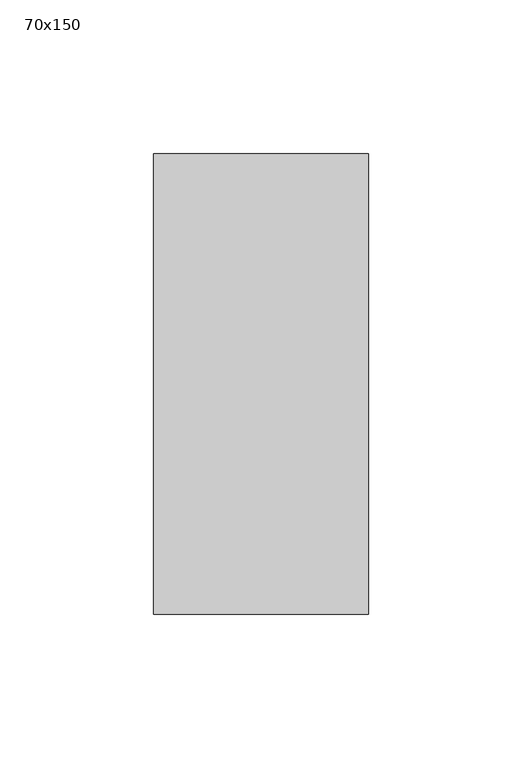
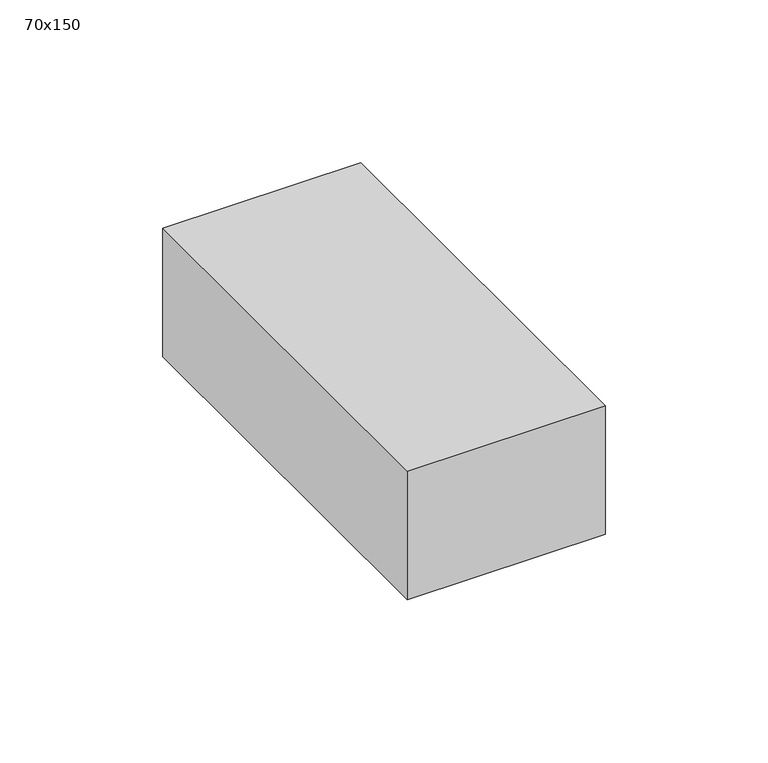
"""IFC4 building model written with IfcOpenShell, lengths in millimetres: member geometry, 70x150."""

import ifcopenshell
import ifcopenshell.guid

model = None  # the IFC model being written
_history = None  # IfcOwnerHistory: only IFC2X3 demands one
_inside = {}  # id of a spatial element -> (the spatial element, [elements in it])
_under = {}  # id of a project, library or spatial element -> (it, [spatial elements below it])
_declared = {}  # id of a project -> (the project, [libraries it declares])
_typed = {}  # id of a type object -> (the type object, [elements of that type])
_made_of = {}  # id of a material, layer set ... -> (it, [elements and type objects made of it])


def new_model(schema):
    """Start an empty IFC model of exactly this schema.

    Asked for "IFC4X3", IfcOpenShell would pick the latest addendum, in which some entities
    have other attributes; the version numbers below select the first issue.
    IFC2X3 requires an IfcOwnerHistory on every rooted entity: one is made here for all.
    """
    global model, _history
    if schema == "IFC4X3":
        model = ifcopenshell.file(schema_version=(4, 3, 0, 0))
    else:
        model = ifcopenshell.file(schema=schema)
    _inside.clear()
    _under.clear()
    _declared.clear()
    _typed.clear()
    _made_of.clear()
    _history = None
    if model.schema == "IFC2X3":
        org = make("IfcOrganization", Name="unknown")
        user = make(
            "IfcPersonAndOrganization",
            ThePerson=make("IfcPerson", FamilyName="unknown"),
            TheOrganization=org,
        )
        app = make(
            "IfcApplication",
            ApplicationDeveloper=org,
            Version="unknown",
            ApplicationFullName="unknown",
            ApplicationIdentifier="unknown",
        )
        _history = make(
            "IfcOwnerHistory",
            OwningUser=user,
            OwningApplication=app,
            ChangeAction="ADDED",
            CreationDate=0,
        )
    return model


def make(cls, **values):
    """One entity of the class cls with the attributes given. An attribute that is None is left unset."""
    return model.create_entity(
        cls, **{name: value for name, value in values.items() if value is not None}
    )


def rooted(cls, **values):
    """An entity with a GlobalId (a new one), such as an element, a storey or a relation."""
    return make(cls, GlobalId=ifcopenshell.guid.new(), OwnerHistory=_history, **values)


def si_unit(unit_type, name, prefix=None):
    """IfcSIUnit, for example si_unit("LENGTHUNIT", "METRE", prefix="MILLI")."""
    return make("IfcSIUnit", UnitType=unit_type, Prefix=prefix, Name=name)


def assignment(units):
    """IfcUnitAssignment: the units of a project."""
    return None if units is None else make("IfcUnitAssignment", Units=units)


def point(xyz):
    """IfcCartesianPoint."""
    return None if xyz is None else make("IfcCartesianPoint", Coordinates=xyz)


def direction(xyz):
    """IfcDirection."""
    return None if xyz is None else make("IfcDirection", DirectionRatios=xyz)


def frame(location, z_axis=None, x_axis=None):
    """IfcAxis2Placement3D, a coordinate frame: its origin and axes. An axis left out is left unset."""
    return make(
        "IfcAxis2Placement3D",
        Location=point(location),
        Axis=direction(z_axis),
        RefDirection=direction(x_axis),
    )


def origin():
    """The frame at (0, 0, 0) with its axes left unset."""
    return frame((0.0, 0.0, 0.0))


def place(relative_to, where):
    """IfcLocalPlacement: puts the frame where relative to a parent placement (None: the world)."""
    return make(
        "IfcLocalPlacement", PlacementRelTo=relative_to, RelativePlacement=where
    )


def context(
    kind, dimensions, precision=None, world=None, true_north=None, identifier=None
):
    """IfcGeometricRepresentationContext, for example the 3D "Model" context."""
    return make(
        "IfcGeometricRepresentationContext",
        ContextIdentifier=identifier,
        ContextType=kind,
        CoordinateSpaceDimension=dimensions,
        Precision=precision,
        WorldCoordinateSystem=world,
        TrueNorth=true_north,
    )


def project(units=None, contexts=None):
    """IfcProject with its units and contexts."""
    return rooted(
        "IfcProject",
        Name="project",
        RepresentationContexts=contexts,
        UnitsInContext=assignment(units),
    )


def spatial(cls, under=None, at=None, **own):
    """A site, building, storey or space (cls), placed at a placement, below another one or the project."""
    s = rooted(cls, ObjectPlacement=at, **own)
    if under is not None:
        _under.setdefault(under.id(), (under, []))[1].append(s)
    return s


def polyline(points):
    """IfcPolyline through the points."""
    return make("IfcPolyline", Points=[point(p) for p in points])


def outline(outer, holes=None, kind="AREA"):
    """IfcArbitraryClosedProfileDef: a profile drawn as a closed curve; with holes, ...WithVoids."""
    if holes is None:
        return make("IfcArbitraryClosedProfileDef", ProfileType=kind, OuterCurve=outer)
    return make(
        "IfcArbitraryProfileDefWithVoids",
        ProfileType=kind,
        OuterCurve=outer,
        InnerCurves=holes,
    )


def extrude(swept, where, along, depth):
    """IfcExtrudedAreaSolid: the profile swept, set in the frame where, extruded along a direction by depth."""
    return make(
        "IfcExtrudedAreaSolid",
        SweptArea=swept,
        Position=where,
        ExtrudedDirection=direction(along),
        Depth=depth,
    )


def shape(context_of_items, identifier, shape_type, items):
    """IfcShapeRepresentation: the items that make up one representation, for example the "Body"."""
    return make(
        "IfcShapeRepresentation",
        ContextOfItems=context_of_items,
        RepresentationIdentifier=identifier,
        RepresentationType=shape_type,
        Items=items,
    )


def source(mapping_origin, context_of_items, identifier, shape_type, items):
    """IfcRepresentationMap: a shape defined once, which mapped items show again and again."""
    return make(
        "IfcRepresentationMap",
        MappingOrigin=mapping_origin,
        MappedRepresentation=shape(context_of_items, identifier, shape_type, items),
    )


def transform(
    local_origin,
    x_axis=None,
    y_axis=None,
    z_axis=None,
    scale=None,
    scale2=None,
    scale3=None,
    uniform=True,
):
    """IfcCartesianTransformationOperator3D, or its non-uniform kind. x_axis, y_axis, z_axis: its Axis1, 2, 3."""
    if uniform:
        return make(
            "IfcCartesianTransformationOperator3D",
            Axis1=direction(x_axis),
            Axis2=direction(y_axis),
            LocalOrigin=point(local_origin),
            Scale=scale,
            Axis3=direction(z_axis),
        )
    return make(
        "IfcCartesianTransformationOperator3DnonUniform",
        Axis1=direction(x_axis),
        Axis2=direction(y_axis),
        LocalOrigin=point(local_origin),
        Scale=scale,
        Axis3=direction(z_axis),
        Scale2=scale2,
        Scale3=scale3,
    )


def mapped(mapping_source, mapping_target):
    """IfcMappedItem: shows the shape of a source again, moved by a transform."""
    return make(
        "IfcMappedItem", MappingSource=mapping_source, MappingTarget=mapping_target
    )


def made_of(thing, what):
    """Note that an element or type object is made of a material, layer set ...; save() writes the relation."""
    if what is not None:
        _made_of.setdefault(what.id(), (what, []))[1].append(thing)
    return thing


def element(
    cls,
    number,
    at=None,
    inside=None,
    cuts=None,
    type_object=None,
    material=None,
    context=None,
    identifier="Body",
    shape_type=None,
    held_by="IfcProductDefinitionShape",
    body=None,
    shapes=None,
    **own,
):
    """One element of the class cls, such as IfcWall. Its Tag is "e" and its number.

    at: its placement. inside: the storey or other place that contains it. cuts: it is an
    opening in that element (IfcRelVoidsElement). A single representation is given by context,
    identifier, shape_type and body (its items); several are given by shapes. held_by: the class
    of the entity that holds the representations. save() writes the other relations.
    """
    e = rooted(cls, Tag="e%d" % number, ObjectPlacement=at, **own)
    if body is not None:
        shapes = [shape(context, identifier, shape_type, body)]
    if shapes is not None:
        e.Representation = make(held_by, Representations=shapes)
    if inside is not None:
        _inside.setdefault(inside.id(), (inside, []))[1].append(e)
    if cuts is not None:
        rooted(
            "IfcRelVoidsElement", RelatingBuildingElement=cuts, RelatedOpeningElement=e
        )
    if type_object is not None:
        _typed.setdefault(type_object.id(), (type_object, []))[1].append(e)
    return made_of(e, material)


def aggregate(whole, parts):
    """IfcRelAggregates: a whole, such as a stair, and the parts it consists of."""
    return rooted("IfcRelAggregates", RelatingObject=whole, RelatedObjects=parts)


def save(model, path):
    """Write the relations noted so far, then the file.

    IfcRelAggregates (storeys below a building ...), IfcRelContainedInSpatialStructure (elements
    in a storey), IfcRelDefinesByType, IfcRelAssociatesMaterial and IfcRelDeclares: one each for
    every whole, place, type object, material and project.
    """
    for whole, parts in _under.values():
        aggregate(whole, parts)
    for where, things in _inside.values():
        rooted(
            "IfcRelContainedInSpatialStructure",
            RelatedElements=things,
            RelatingStructure=where,
        )
    for kind, things in _typed.values():
        rooted("IfcRelDefinesByType", RelatedObjects=things, RelatingType=kind)
    for what, things in _made_of.values():
        rooted("IfcRelAssociatesMaterial", RelatedObjects=things, RelatingMaterial=what)
    for by, libraries in _declared.values():
        rooted("IfcRelDeclares", RelatingContext=by, RelatedDefinitions=libraries)
    model.write(path)


def member_70x150_f2f57c5c(model_context):
    return source(origin(), model_context, "Body", "SweptSolid", [
        extrude(outline(polyline([(0.0, 75.0), (0.0, -75.0), (-70.0, -75.0), (-70.0, 75.0), (0.0, 75.0)])), frame((0.0, 0.0, -48.1004833), z_axis=(0.0, 0.0, 1.0), x_axis=(1.0, 0.0, 0.0)), (0.0, 0.0, 1.0), 48.1004833),
    ])


if __name__ == "__main__":
    model = new_model("IFC4")
    model_context = context("Model", 3, world=origin())
    ifc_project = project(units=[si_unit("LENGTHUNIT", "METRE", prefix="MILLI")], contexts=[model_context])
    site = spatial("IfcSite", under=ifc_project)
    building = spatial("IfcBuilding", under=site)
    placement = place(None, origin())
    member_70x150_shape = member_70x150_f2f57c5c(model_context)
    element("IfcMember", 1, ObjectType="70x150", at=placement, inside=building, context=model_context, shape_type="MappedRepresentation", body=[
        mapped(member_70x150_shape, transform((0.0, 0.0, 0.0), x_axis=(1.0, 0.0, 0.0), y_axis=(0.0, 1.0, 0.0), z_axis=(0.0, 0.0, 1.0))),
    ])
    save(model, "model.ifc")
